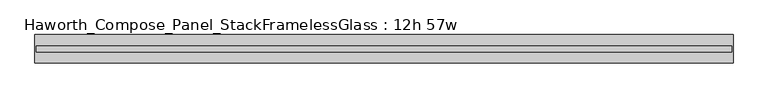
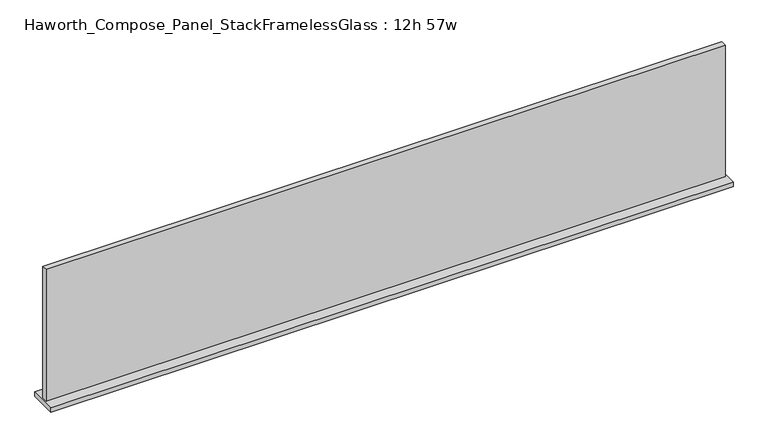
"""IFC4 building model written with IfcOpenShell, lengths in millimetres: furniture geometry, Haworth_Compose_Panel_StackFramelessGlass : 12h 57w."""

from ifc_helpers import new_model, si_unit, frame, origin, place, context, project, spatial, polyline, outline, extrude, source, transform, mapped, element, save


def haworth_compose_panel_stackframelessglass_12h_57w_f48f7bcc(model_context):
    return source(origin(), model_context, "Body", "SweptSolid", [
        extrude(outline(polyline([(723.1652902, -27.3093594), (-718.2847098, -27.3093594), (-718.2847098, -14.6093594), (723.1652902, -14.6093594), (723.1652902, -27.3093594)])), frame((0.0, 0.0, 1279.525), z_axis=(0.0, 0.0, 1.0), x_axis=(1.0, 0.0, 0.0)), (0.0, 0.0, 1.0), 295.275),
        extrude(outline(polyline([(-721.4597098, -50.3281094), (-721.4597098, 8.4093906), (726.3402902, 8.4093906), (726.3402902, -50.3281094), (-721.4597098, -50.3281094)])), frame((0.0, 0.0, 1270.0), z_axis=(0.0, 0.0, 1.0), x_axis=(1.0, 0.0, 0.0)), (0.0, 0.0, 1.0), 9.525),
    ])


if __name__ == "__main__":
    model = new_model("IFC4")
    model_context = context("Model", 3, world=origin())
    ifc_project = project(units=[si_unit("LENGTHUNIT", "METRE", prefix="MILLI")], contexts=[model_context])
    site = spatial("IfcSite", under=ifc_project)
    building = spatial("IfcBuilding", under=site)
    placement = place(None, origin())
    haworth_compose_panel_stackframelessglass_12h_57w_shape = haworth_compose_panel_stackframelessglass_12h_57w_f48f7bcc(model_context)
    element("IfcFurniture", 1, ObjectType="Haworth_Compose_Panel_StackFramelessGlass : 12h 57w", at=placement, inside=building, context=model_context, shape_type="MappedRepresentation", body=[
        mapped(haworth_compose_panel_stackframelessglass_12h_57w_shape, transform((0.0, 0.0, 0.0), x_axis=(1.0, 0.0, 0.0), y_axis=(0.0, 1.0, 0.0), z_axis=(0.0, 0.0, 1.0))),
    ])
    save(model, "model.ifc")
